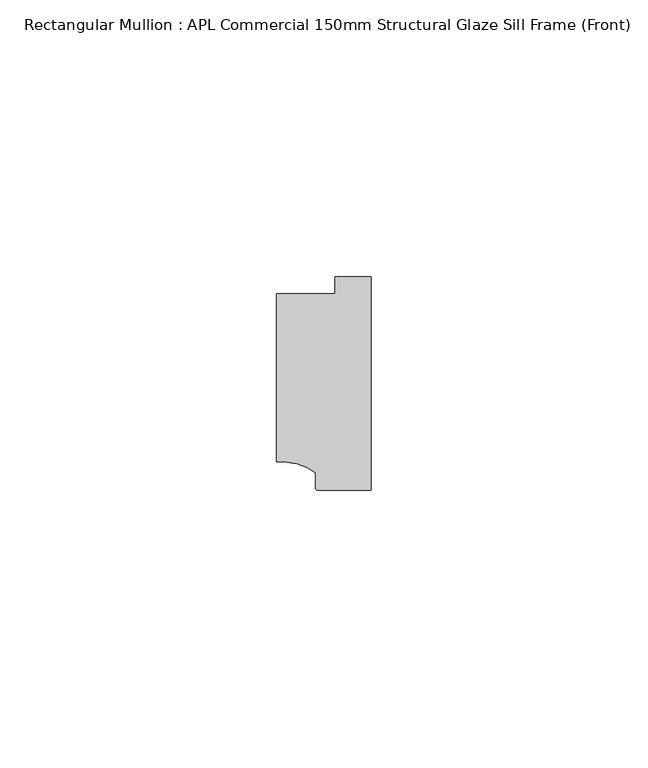
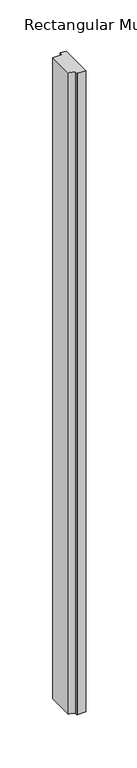
"""IFC4 building model written with IfcOpenShell, lengths in millimetres: member geometry, Rectangular Mullion : APL Commercial 150mm Structural Glaze Sill Frame (Front)."""

from ifc_helpers import new_model, si_unit, point, frame, frame_2d, origin, place, context, project, spatial, polyline, circle_curve, trimmed, segment, composite_curve, outline, extrude, source, transform, mapped, element, save


def rectangular_mullion_apl_commercial_150mm_structural_glaze_12011ad3(model_context):
    return source(origin(), model_context, "Body", "SweptSolid", [
        extrude(outline(composite_curve([segment(polyline([(-16.999942, -15.3793144), (-16.999942, 15.0004332), (-6.5000029, 15.0004332), (-6.5000029, 18.0281616), (0.0, 18.0281616), (0.0, -20.49978), (-9.5000029, -20.49978)]), True, "CONTINUOUS"), segment(trimmed(circle_curve(frame_2d((-9.5000029, -19.99978)), 0.5), [point((-9.5000029, -20.49978))], [point((-10.0, -19.9980675))], False, "CARTESIAN"), True, "CONTINUOUS"), segment(polyline([(-10.0, -19.9980675), (-10.0, -17.3120901)]), True, "CONTINUOUS"), segment(trimmed(circle_curve(frame_2d((-16.1098048, -25.7977481)), 10.4563907), [point((-10.0, -17.3120901))], [point((-16.999942, -15.3793144))], True, "CARTESIAN"), True, "CONTINUOUS")], self_intersect=False)), frame((0.0, 0.0, -766.1423736), z_axis=(0.0, 0.0, 1.0), x_axis=(1.0, 0.0, 0.0)), (0.0, 0.0, 1.0), 766.1423736),
    ])


if __name__ == "__main__":
    model = new_model("IFC4")
    model_context = context("Model", 3, world=origin())
    ifc_project = project(units=[si_unit("LENGTHUNIT", "METRE", prefix="MILLI")], contexts=[model_context])
    site = spatial("IfcSite", under=ifc_project)
    building = spatial("IfcBuilding", under=site)
    placement = place(None, origin())
    rectangular_mullion_apl_commercial_150mm_structural_glaze_shape = rectangular_mullion_apl_commercial_150mm_structural_glaze_12011ad3(model_context)
    element("IfcMember", 1, ObjectType="Rectangular Mullion : APL Commercial 150mm Structural Glaze Sill Frame (Front)", at=placement, inside=building, context=model_context, shape_type="MappedRepresentation", body=[
        mapped(rectangular_mullion_apl_commercial_150mm_structural_glaze_shape, transform((0.0, 0.0, 0.0), x_axis=(1.0, 0.0, 0.0), y_axis=(0.0, 1.0, 0.0), z_axis=(0.0, 0.0, 1.0))),
    ])
    save(model, "model.ifc")
